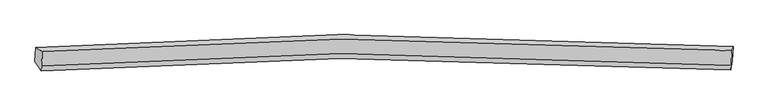
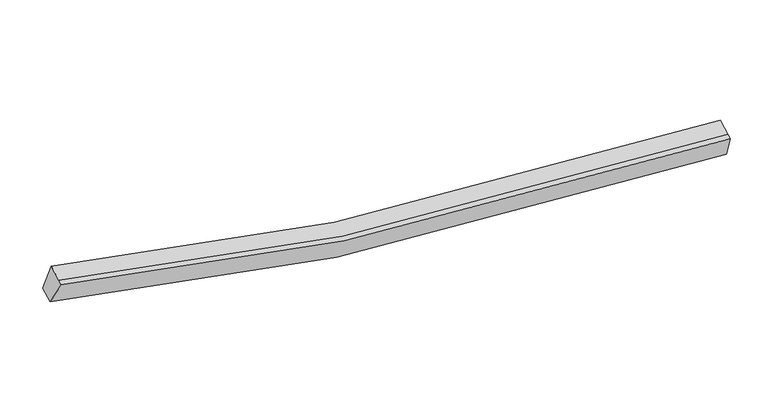
"""IFC4 building model written with IfcOpenShell, lengths in millimetres: proxy geometry."""

from ifc_helpers import new_model, si_unit, frame, origin, place, context, project, spatial, source, transform, mapped, element, save
from ifc_brep_helpers import plane_surface, spline_curve, spline_surface, advanced_brep


def generic_models_ab4c92f2(model_context):
    return source(origin(), model_context, "Body", "AdvancedBrep", [
        advanced_brep(
        [(-9018.2114062, -1878.7698989, 4259.3438912), (-8830.8725812, -1995.6920821, 4942.0242728), (10663.4441851, -1974.46127, 2599.9838018), (10696.9053776, -1858.3370884, 1892.7252502), (-8851.0802953, -2408.5279543, 4773.8905196), (10643.236471, -2387.2971422, 2431.8500485), (-8857.8732869, -2547.3061741, 4717.3709568), (10636.4434794, -2526.075362, 2375.3304858), (-9038.0776184, -2284.6290183, 4094.0515277), (10677.0391654, -2264.1962078, 1727.4328868)],
        [
            (0, 1),
            (1, 2, spline_curve(3, [(-8830.8725812, -1995.6920821, 4942.0242728), (-6041.191792245, -1787.592882614, 4129.112042116), (-3224.122866373, -1669.467114992, 3522.603294491), (3256.6121177, -1605.325584069, 2611.014152026), (6937.648780349, -1716.374415381, 2436.842741757), (10663.4441851, -1974.46127, 2599.9838018)], [4, 2, 4], [0.0, 28.547841899876794, 65.04264033464945])),
            (2, 3),
            (3, 0, spline_curve(3, [(10696.9053776, -1858.3370884, 1892.7252502), (6928.960616819, -1597.58320486, 1728.101424744), (3206.253265528, -1485.280047141, 1904.201287684), (-3347.895955923, -1549.703837107, 2825.307026993), (-6196.894199555, -1668.817932104, 3438.080044561), (-9018.2114062, -1878.7698989, 4259.3438912)], [4, 2, 4], [0.0, 36.494798434772655, 65.04264033464945])),
            (1, 4),
            (4, 5, spline_curve(3, [(-8851.0802953, -2408.5279543, 4773.8905196), (-6061.399506564, -2200.428754449, 3960.978288847), (-3244.330580299, -2082.302987143, 3354.469541553), (3236.404403377, -2018.161456331, 2442.880398263), (6917.441066772, -2129.210287444, 2268.708988834), (10643.236471, -2387.2971422, 2431.8500485)], [4, 2, 4], [0.0, 28.38739236778044, 64.67707640709908])),
            (5, 2),
            (4, 6),
            (6, 7, spline_curve(3, [(-8857.8732869, -2547.3061741, 4717.3709568), (-6068.192498164, -2339.206974249, 3904.458726047), (-3251.123571899, -2221.081206943, 3297.949978853), (3229.611411777, -2156.939676131, 2386.360835563), (6910.648075172, -2267.988507244, 2212.189426134), (10636.4434794, -2526.075362, 2375.3304858)], [4, 2, 4], [0.0, 28.387392367780436, 64.67707640709907])),
            (7, 5),
            (6, 8),
            (8, 9, spline_curve(3, [(-9038.0776184, -2284.6290183, 4094.0515277), (-6216.760411755, -2074.677051504, 3272.787681061), (-3367.762168223, -1955.562956607, 2660.014663593), (3186.387053228, -1891.139166641, 1738.908924284), (6909.094404619, -2003.44232426, 1562.809061344), (10677.0391654, -2264.1962078, 1727.4328868)], [4, 2, 4], [0.0, 28.5478418998768, 65.04264033464946])),
            (9, 7),
            (8, 0),
            (3, 9),
        ],
        [
            spline_surface(3, 3, [[(-9018.2114062, -1878.7698989, 4259.3438912), (-6196.89419962, -1668.817932093, 3438.080045009), (-3347.895956198, -1549.703837304, 2825.307027208), (3206.253265879, -1485.280046889, 1904.201287408), (6928.960617067, -1597.583204856, 1728.101424839), (10696.9053776, -1858.3370884, 1892.7252502)], [(-8955.765131215, -1917.743959975, 4486.904018402), (-6144.993397269, -1708.409582188, 3668.424043912), (-3306.638259621, -1589.624929715, 3057.739116325), (3223.039549851, -1525.295226123, 2139.805575532), (6931.856671537, -1637.180274934, 1964.34853052), (10685.751646755, -1897.045148956, 2128.478100712)], [(-8893.318856185, -1956.718021025, 4714.464145598), (-6093.092594873, -1748.001232258, 3898.768042809), (-3265.380563033, -1629.546022152, 3290.171205512), (3239.825833835, -1565.310405383, 2375.409863726), (6934.752726042, -1676.777344943, 2200.595636263), (10674.597915945, -1935.753209444, 2364.230951288)], [(-8830.8725812, -1995.6920821, 4942.0242728), (-6041.191792523, -1787.592882352, 4129.112041712), (-3224.122866457, -1669.467114563, 3522.603294629), (3256.612117807, -1605.325584617, 2611.01415185), (6937.648780512, -1716.374415021, 2436.842741943), (10663.4441851, -1974.46127, 2599.9838018)]], [4, 4], [4, 2, 4], [0.0, 2.354019480412793], [0.0, 28.547841899876794, 65.04264033464945]),
            spline_surface(3, 3, [[(-8830.8725812, -1995.6920821, 4942.0242728), (-6041.191792523, -1787.592882352, 4129.112041712), (-3224.122866457, -1669.467114563, 3522.603294629), (3256.612117807, -1605.325584617, 2611.01415185), (6937.648780512, -1716.374415021, 2436.842741943), (10663.4441851, -1974.46127, 2599.9838018)], [(-8837.608485899, -2133.304039485, 4885.979688387), (-6047.927697222, -1925.204839738, 4073.067457299), (-3230.858771156, -1807.079071948, 3466.558710216), (3249.876213108, -1742.937542002, 2554.969567437), (6930.912875812, -1853.986372407, 2380.79815753), (10656.708280401, -2112.073227385, 2543.939217387)], [(-8844.344390601, -2270.915996915, 4829.935104013), (-6054.663601923, -2062.816797167, 4017.022872925), (-3237.594675857, -1944.691029378, 3410.514125742), (3243.140308406, -1880.549499432, 2498.924982963), (6924.176971111, -1991.598329836, 2324.753573056), (10649.972375699, -2249.685184815, 2487.894632913)], [(-8851.0802953, -2408.5279543, 4773.8905196), (-6061.399506623, -2200.428754552, 3960.978288512), (-3244.330580557, -2082.302986763, 3354.469541329), (3236.404403707, -2018.161456817, 2442.88039855), (6917.441066412, -2129.210287221, 2268.708988643), (10643.236471, -2387.2971422, 2431.8500485)]], [4, 4], [4, 2, 4], [0.0, 1.4639707886558821], [0.0, 28.38739236778044, 64.67707640709908]),
            spline_surface(3, 3, [[(-8851.0802953, -2408.5279543, 4773.8905196), (-6061.399506623, -2200.428754552, 3960.978288512), (-3244.330580557, -2082.302986763, 3354.469541329), (3236.404403707, -2018.161456817, 2442.88039855), (6917.441066412, -2129.210287221, 2268.708988643), (10643.236471, -2387.2971422, 2431.8500485)], [(-8853.344625815, -2454.787360907, 4755.050665362), (-6063.663837138, -2246.688161159, 3942.138434274), (-3246.594911072, -2128.56239337, 3335.629687091), (3234.140073192, -2064.420863424, 2424.040544313), (6915.176735896, -2175.469693828, 2249.869134406), (10640.972140485, -2433.556548807, 2413.010194262)], [(-8855.608956385, -2501.046767493, 4736.210811038), (-6065.928167707, -2292.947567745, 3923.298579949), (-3248.859241641, -2174.821799956, 3316.789832866), (3231.875742622, -2110.68027001, 2405.200690088), (6912.912405327, -2221.729100414, 2231.029280181), (10638.707809915, -2479.815955393, 2394.170340038)], [(-8857.8732869, -2547.3061741, 4717.3709568), (-6068.192498223, -2339.206974352, 3904.458725712), (-3251.123572157, -2221.081206563, 3297.949978629), (3229.611412107, -2156.939676617, 2386.36083585), (6910.648074812, -2267.988507021, 2212.189425943), (10636.4434794, -2526.075362, 2375.3304858)]], [4, 4], [4, 2, 4], [0.0, 0.4921259842519661], [0.0, 28.387392367780436, 64.67707640709907]),
            spline_surface(3, 3, [[(-8857.8732869, -2547.3061741, 4717.3709568), (-6068.192498223, -2339.206974352, 3904.458725712), (-3251.123572157, -2221.081206563, 3297.949978629), (3229.611412107, -2156.939676617, 2386.36083585), (6910.648074812, -2267.988507021, 2212.189425943), (10636.4434794, -2526.075362, 2375.3304858)], [(-8917.941397412, -2459.747122177, 4509.597813756), (-6117.7151361, -2251.03033341, 3693.901710967), (-3290.00310426, -2132.575123303, 3085.30487367), (3215.203292608, -2068.339506534, 2170.543531884), (6910.130184815, -2179.806446095, 1995.729304421), (10649.975374718, -2438.782310595, 2159.364619446)], [(-8978.009507888, -2372.188070223, 4301.824670744), (-6167.237773942, -2162.853692436, 3483.344696254), (-3328.882636394, -2044.069040063, 2872.659768767), (3200.795173078, -1979.739336472, 1954.726227974), (6909.612294863, -2091.624385183, 1779.269182961), (10663.507270082, -2351.489259205, 1943.398753154)], [(-9038.0776184, -2284.6290183, 4094.0515277), (-6216.76041182, -2074.677051493, 3272.787681509), (-3367.762168498, -1955.562956804, 2660.014663808), (3186.387053579, -1891.139166389, 1738.908924008), (6909.094404867, -2003.442324256, 1562.809061439), (10677.0391654, -2264.1962078, 1727.4328868)]], [4, 4], [4, 2, 4], [0.0, 2.296575006591964], [0.0, 28.5478418998768, 65.04264033464946]),
            spline_surface(3, 3, [[(-9038.0776184, -2284.6290183, 4094.0515277), (-6216.76041182, -2074.677051493, 3272.787681509), (-3367.762168498, -1955.562956804, 2660.014663808), (3186.387053579, -1891.139166389, 1738.908924008), (6909.094404867, -2003.442324256, 1562.809061439), (10677.0391654, -2264.1962078, 1727.4328868)], [(-9031.455547659, -2149.342645156, 4149.148982192), (-6210.138341079, -1939.390678349, 3327.885136001), (-3361.140097757, -1820.27658366, 2715.1121183), (3193.00912432, -1755.852793245, 1794.0063785), (6915.716475608, -1868.155951112, 1617.906515931), (10683.661236141, -2128.909834656, 1782.530341292)], [(-9024.833476941, -2014.056272044, 4204.246436708), (-6203.516270361, -1804.104305237, 3382.982590517), (-3354.518026939, -1684.990210448, 2770.209572716), (3199.631195138, -1620.566420033, 1849.103832916), (6922.338546326, -1732.869578, 1673.003970347), (10690.283306859, -1993.623461544, 1837.627795708)], [(-9018.2114062, -1878.7698989, 4259.3438912), (-6196.89419962, -1668.817932093, 3438.080045009), (-3347.895956198, -1549.703837304, 2825.307027208), (3206.253265879, -1485.280046889, 1904.201287408), (6928.960617067, -1597.583204856, 1728.101424839), (10696.9053776, -1858.3370884, 1892.7252502)]], [4, 4], [4, 2, 4], [0.0, 1.4392302976358888], [0.0, 28.708291609398547, 65.40820466644111]),
            plane_surface(frame((10668.4580519, -2155.7674821, 2148.8681062), z_axis=(0.9972892447972466, -0.06376774600738322, 0.03671289665601758), x_axis=(0.05799383707927401, 0.3741130774484681, -0.9255679986596658))),
            plane_surface(frame((-8936.2587232, -2176.5992934, 4503.1976621), z_axis=(-0.9652338926981572, -0.05667491814509284, 0.25516952412074895), x_axis=(-0.04528661030106385, -0.9251881321391744, -0.37679708475022083))),
        ],
        [
            (0, [[1, 2, 3, 4]]),
            (1, [[5, 6, 7, -2]]),
            (2, [[8, 9, 10, -6]]),
            (3, [[11, 12, 13, -9]]),
            (4, [[14, -4, 15, -12]]),
            (5, [[-13, -15, -3, -7, -10]]),
            (6, [[-14, -11, -8, -5, -1]]),
        ],
    ),
    ])


if __name__ == "__main__":
    model = new_model("IFC4")
    model_context = context("Model", 3, world=origin())
    ifc_project = project(units=[si_unit("LENGTHUNIT", "METRE", prefix="MILLI")], contexts=[model_context])
    site = spatial("IfcSite", under=ifc_project)
    building = spatial("IfcBuilding", under=site)
    placement = place(None, origin())
    generic_models_shape = generic_models_ab4c92f2(model_context)
    element("IfcBuildingElementProxy", 1, Name="Generic Models", at=placement, inside=building, context=model_context, shape_type="MappedRepresentation", body=[
        mapped(generic_models_shape, transform((0.0, 0.0, 0.0), x_axis=(1.0, 0.0, 0.0), y_axis=(0.0, 1.0, 0.0), z_axis=(0.0, 0.0, 1.0))),
    ])
    save(model, "model.ifc")
